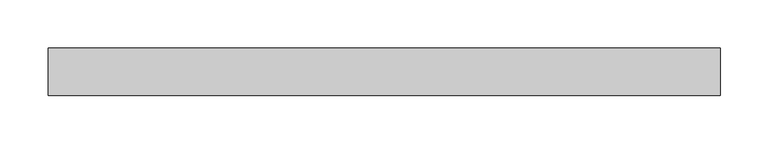
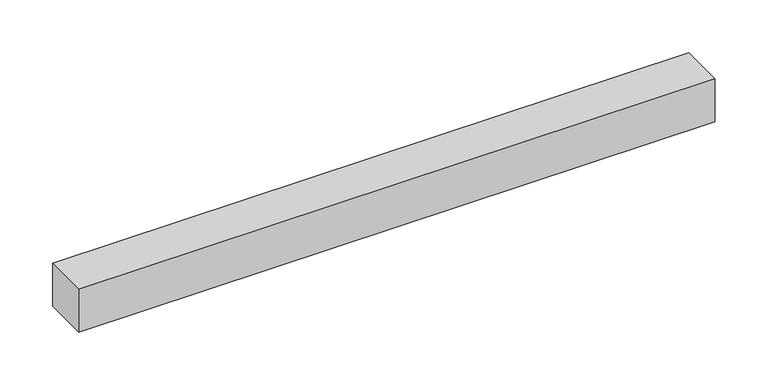
"""IFC4 building model written with IfcOpenShell, lengths in millimetres: proxy geometry."""

from ifc_helpers import new_model, si_unit, frame, origin, place, context, project, spatial, polyline, outline, extrude, source, transform, mapped, element, save


def mechanical_equipment_df9626d5(model_context):
    return source(origin(), model_context, "Body", "SweptSolid", [
        extrude(outline(polyline([(700.0, 25.0), (700.0, -25.0), (0.0, -25.0), (0.0, 25.0), (700.0, 25.0)])), frame((0.0, 0.0, -25.0), z_axis=(0.0, 0.0, 1.0), x_axis=(1.0, 0.0, 0.0)), (0.0, 0.0, 1.0), 50.0),
    ])


if __name__ == "__main__":
    model = new_model("IFC4")
    model_context = context("Model", 3, world=origin())
    ifc_project = project(units=[si_unit("LENGTHUNIT", "METRE", prefix="MILLI")], contexts=[model_context])
    site = spatial("IfcSite", under=ifc_project)
    building = spatial("IfcBuilding", under=site)
    placement = place(None, origin())
    mechanical_equipment_shape = mechanical_equipment_df9626d5(model_context)
    element("IfcBuildingElementProxy", 1, Name="Mechanical Equipment", at=placement, inside=building, context=model_context, shape_type="MappedRepresentation", body=[
        mapped(mechanical_equipment_shape, transform((0.0, 0.0, 0.0), x_axis=(1.0, 0.0, 0.0), y_axis=(0.0, 1.0, 0.0), z_axis=(0.0, 0.0, 1.0))),
    ])
    save(model, "model.ifc")
